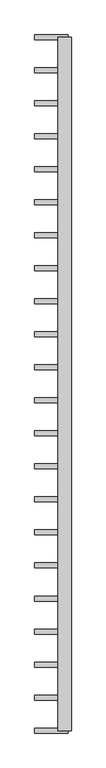
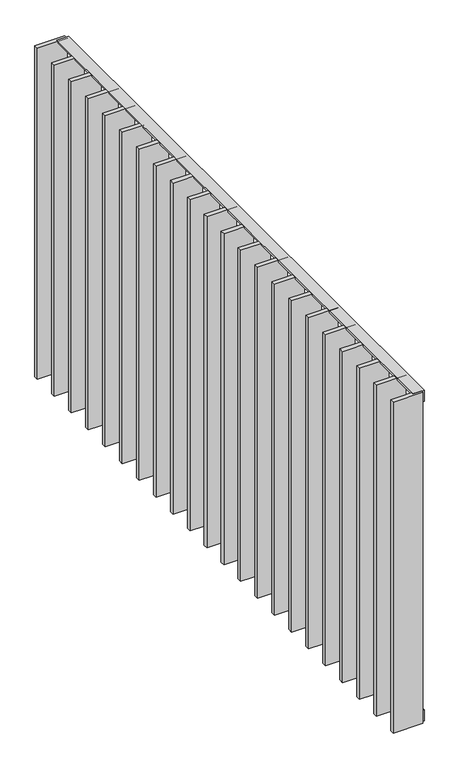
"""IFC4 building model written with IfcOpenShell, lengths in millimetres: railing geometry."""

from ifc_helpers import new_model, si_unit, frame, origin, place, context, project, spatial, polyline, outline, extrude, source, transform, mapped, element, save


def railing_1c0dd13b(model_context):
    return source(origin(), model_context, "Body", "SweptSolid", [
        extrude(outline(polyline([(-6.0, 14.0), (-40.0, 14.0), (-40.0, 20.0), (0.0, 20.0), (0.0, -20.0), (-6.0, -20.0), (-6.0, 14.0)])), frame((57265.9325551, 6109.4012767, 8000.0), z_axis=(5.0311672776629815e-12, 1.0, 0.0), x_axis=(0.0, 0.0, 1.0)), (0.0, 0.0, 1.0), 2080.0),
        extrude(outline(polyline([(6.0, 14.0), (6.0, -20.0), (0.0, -20.0), (0.0, 20.0), (40.0, 20.0), (40.0, 14.0), (6.0, 14.0)])), frame((57265.9325551, 6109.4012767, 6820.0), z_axis=(5.0311672776629815e-12, 1.0, 0.0), x_axis=(0.0, 0.0, 1.0)), (0.0, 0.0, 1.0), 2080.0),
        extrude(outline(polyline([(57275.9325551, 8082.8536576), (57175.9325551, 8082.8536576), (57175.9325551, 8097.8536576), (57275.9325551, 8097.8536576), (57275.9325551, 8082.8536576)])), frame((0.0, 0.0, 6819.9), z_axis=(0.0, 0.0, 1.0), x_axis=(1.0, 0.0, 0.0)), (0.0, 0.0, 1.0), 1180.2),
        extrude(outline(polyline([(57275.9325551, 7983.8060386), (57175.9325551, 7983.8060386), (57175.9325551, 7998.8060386), (57275.9325551, 7998.8060386), (57275.9325551, 7983.8060386)])), frame((0.0, 0.0, 6819.9), z_axis=(0.0, 0.0, 1.0), x_axis=(1.0, 0.0, 0.0)), (0.0, 0.0, 1.0), 1180.2),
        extrude(outline(polyline([(57275.9325551, 7884.7584195), (57175.9325551, 7884.7584195), (57175.9325551, 7899.7584195), (57275.9325551, 7899.7584195), (57275.9325551, 7884.7584195)])), frame((0.0, 0.0, 6819.9), z_axis=(0.0, 0.0, 1.0), x_axis=(1.0, 0.0, 0.0)), (0.0, 0.0, 1.0), 1180.2),
        extrude(outline(polyline([(57275.9325551, 7785.7108005), (57175.9325551, 7785.7108005), (57175.9325551, 7800.7108005), (57275.9325551, 7800.7108005), (57275.9325551, 7785.7108005)])), frame((0.0, 0.0, 6819.9), z_axis=(0.0, 0.0, 1.0), x_axis=(1.0, 0.0, 0.0)), (0.0, 0.0, 1.0), 1180.2),
        extrude(outline(polyline([(57275.9325551, 7686.6631814), (57175.9325551, 7686.6631814), (57175.9325551, 7701.6631814), (57275.9325551, 7701.6631814), (57275.9325551, 7686.6631814)])), frame((0.0, 0.0, 6819.9), z_axis=(0.0, 0.0, 1.0), x_axis=(1.0, 0.0, 0.0)), (0.0, 0.0, 1.0), 1180.2),
        extrude(outline(polyline([(57275.9325551, 7587.6155624), (57175.9325551, 7587.6155624), (57175.9325551, 7602.6155624), (57275.9325551, 7602.6155624), (57275.9325551, 7587.6155624)])), frame((0.0, 0.0, 6819.9), z_axis=(0.0, 0.0, 1.0), x_axis=(1.0, 0.0, 0.0)), (0.0, 0.0, 1.0), 1180.2),
        extrude(outline(polyline([(57275.9325551, 7488.5679433), (57175.9325551, 7488.5679433), (57175.9325551, 7503.5679433), (57275.9325551, 7503.5679433), (57275.9325551, 7488.5679433)])), frame((0.0, 0.0, 6819.9), z_axis=(0.0, 0.0, 1.0), x_axis=(1.0, 0.0, 0.0)), (0.0, 0.0, 1.0), 1180.2),
        extrude(outline(polyline([(57275.9325551, 7389.5203243), (57175.9325551, 7389.5203243), (57175.9325551, 7404.5203243), (57275.9325551, 7404.5203243), (57275.9325551, 7389.5203243)])), frame((0.0, 0.0, 6819.9), z_axis=(0.0, 0.0, 1.0), x_axis=(1.0, 0.0, 0.0)), (0.0, 0.0, 1.0), 1180.2),
        extrude(outline(polyline([(57275.9325551, 7290.4727052), (57175.9325551, 7290.4727052), (57175.9325551, 7305.4727052), (57275.9325551, 7305.4727052), (57275.9325551, 7290.4727052)])), frame((0.0, 0.0, 6819.9), z_axis=(0.0, 0.0, 1.0), x_axis=(1.0, 0.0, 0.0)), (0.0, 0.0, 1.0), 1180.2),
        extrude(outline(polyline([(57275.9325551, 7191.4250862), (57175.9325551, 7191.4250862), (57175.9325551, 7206.4250862), (57275.9325551, 7206.4250862), (57275.9325551, 7191.4250862)])), frame((0.0, 0.0, 6819.9), z_axis=(0.0, 0.0, 1.0), x_axis=(1.0, 0.0, 0.0)), (0.0, 0.0, 1.0), 1180.2),
        extrude(outline(polyline([(57275.9325551, 7092.3774671), (57175.9325551, 7092.3774671), (57175.9325551, 7107.3774671), (57275.9325551, 7107.3774671), (57275.9325551, 7092.3774671)])), frame((0.0, 0.0, 6819.9), z_axis=(0.0, 0.0, 1.0), x_axis=(1.0, 0.0, 0.0)), (0.0, 0.0, 1.0), 1180.2),
        extrude(outline(polyline([(57275.9325551, 6993.3298481), (57175.9325551, 6993.3298481), (57175.9325551, 7008.3298481), (57275.9325551, 7008.3298481), (57275.9325551, 6993.3298481)])), frame((0.0, 0.0, 6819.9), z_axis=(0.0, 0.0, 1.0), x_axis=(1.0, 0.0, 0.0)), (0.0, 0.0, 1.0), 1180.2),
        extrude(outline(polyline([(57275.9325551, 6894.2822291), (57175.9325551, 6894.2822291), (57175.9325551, 6909.2822291), (57275.9325551, 6909.2822291), (57275.9325551, 6894.2822291)])), frame((0.0, 0.0, 6819.9), z_axis=(0.0, 0.0, 1.0), x_axis=(1.0, 0.0, 0.0)), (0.0, 0.0, 1.0), 1180.2),
        extrude(outline(polyline([(57275.9325551, 6795.23461), (57175.9325551, 6795.23461), (57175.9325551, 6810.23461), (57275.9325551, 6810.23461), (57275.9325551, 6795.23461)])), frame((0.0, 0.0, 6819.9), z_axis=(0.0, 0.0, 1.0), x_axis=(1.0, 0.0, 0.0)), (0.0, 0.0, 1.0), 1180.2),
        extrude(outline(polyline([(57275.9325551, 6696.186991), (57175.9325551, 6696.186991), (57175.9325551, 6711.186991), (57275.9325551, 6711.186991), (57275.9325551, 6696.186991)])), frame((0.0, 0.0, 6819.9), z_axis=(0.0, 0.0, 1.0), x_axis=(1.0, 0.0, 0.0)), (0.0, 0.0, 1.0), 1180.2),
        extrude(outline(polyline([(57275.9325551, 6597.1393719), (57175.9325551, 6597.1393719), (57175.9325551, 6612.1393719), (57275.9325551, 6612.1393719), (57275.9325551, 6597.1393719)])), frame((0.0, 0.0, 6819.9), z_axis=(0.0, 0.0, 1.0), x_axis=(1.0, 0.0, 0.0)), (0.0, 0.0, 1.0), 1180.2),
        extrude(outline(polyline([(57275.9325551, 6498.0917529), (57175.9325551, 6498.0917529), (57175.9325551, 6513.0917529), (57275.9325551, 6513.0917529), (57275.9325551, 6498.0917529)])), frame((0.0, 0.0, 6819.9), z_axis=(0.0, 0.0, 1.0), x_axis=(1.0, 0.0, 0.0)), (0.0, 0.0, 1.0), 1180.2),
        extrude(outline(polyline([(57275.9325551, 6399.0441338), (57175.9325551, 6399.0441338), (57175.9325551, 6414.0441338), (57275.9325551, 6414.0441338), (57275.9325551, 6399.0441338)])), frame((0.0, 0.0, 6819.9), z_axis=(0.0, 0.0, 1.0), x_axis=(1.0, 0.0, 0.0)), (0.0, 0.0, 1.0), 1180.2),
        extrude(outline(polyline([(57275.9325551, 6299.9965148), (57175.9325551, 6299.9965148), (57175.9325551, 6314.9965148), (57275.9325551, 6314.9965148), (57275.9325551, 6299.9965148)])), frame((0.0, 0.0, 6819.9), z_axis=(0.0, 0.0, 1.0), x_axis=(1.0, 0.0, 0.0)), (0.0, 0.0, 1.0), 1180.2),
        extrude(outline(polyline([(57275.9325551, 6200.9488957), (57175.9325551, 6200.9488957), (57175.9325551, 6215.9488957), (57275.9325551, 6215.9488957), (57275.9325551, 6200.9488957)])), frame((0.0, 0.0, 6819.9), z_axis=(0.0, 0.0, 1.0), x_axis=(1.0, 0.0, 0.0)), (0.0, 0.0, 1.0), 1180.2),
        extrude(outline(polyline([(57275.9325551, 8181.9012767), (57175.9325551, 8181.9012767), (57175.9325551, 8196.9012767), (57275.9325551, 8196.9012767), (57275.9325551, 8181.9012767)])), frame((0.0, 0.0, 6819.9), z_axis=(0.0, 0.0, 1.0), x_axis=(1.0, 0.0, 0.0)), (0.0, 0.0, 1.0), 1180.2),
        extrude(outline(polyline([(57275.9325551, 6101.9012767), (57175.9325551, 6101.9012767), (57175.9325551, 6116.9012767), (57275.9325551, 6116.9012767), (57275.9325551, 6101.9012767)])), frame((0.0, 0.0, 6819.9), z_axis=(0.0, 0.0, 1.0), x_axis=(1.0, 0.0, 0.0)), (0.0, 0.0, 1.0), 1180.2),
    ])


if __name__ == "__main__":
    model = new_model("IFC4")
    model_context = context("Model", 3, world=origin())
    ifc_project = project(units=[si_unit("LENGTHUNIT", "METRE", prefix="MILLI")], contexts=[model_context])
    site = spatial("IfcSite", under=ifc_project)
    building = spatial("IfcBuilding", under=site)
    placement = place(None, origin())
    railing_shape = railing_1c0dd13b(model_context)
    element("IfcRailing", 1, at=placement, inside=building, context=model_context, shape_type="MappedRepresentation", body=[
        mapped(railing_shape, transform((0.0, 0.0, 0.0), x_axis=(1.0, 0.0, 0.0), y_axis=(0.0, 1.0, 0.0), z_axis=(0.0, 0.0, 1.0))),
    ])
    save(model, "model.ifc")
